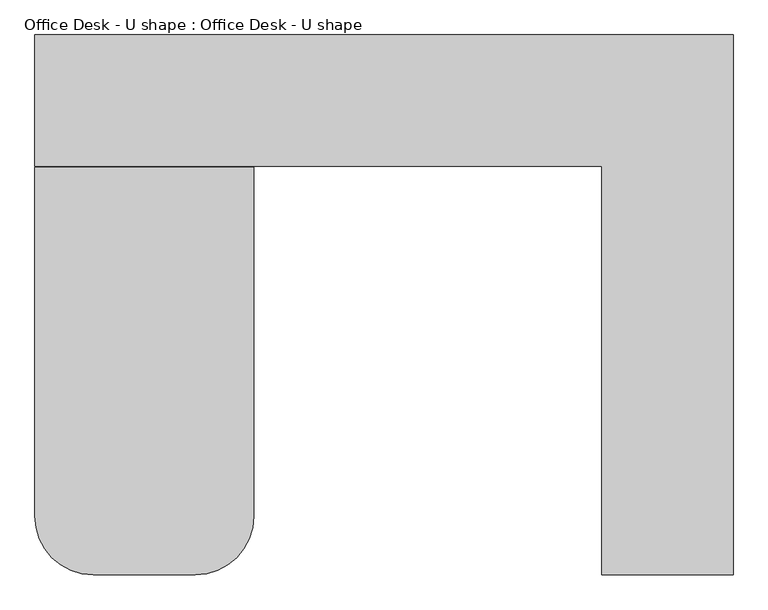
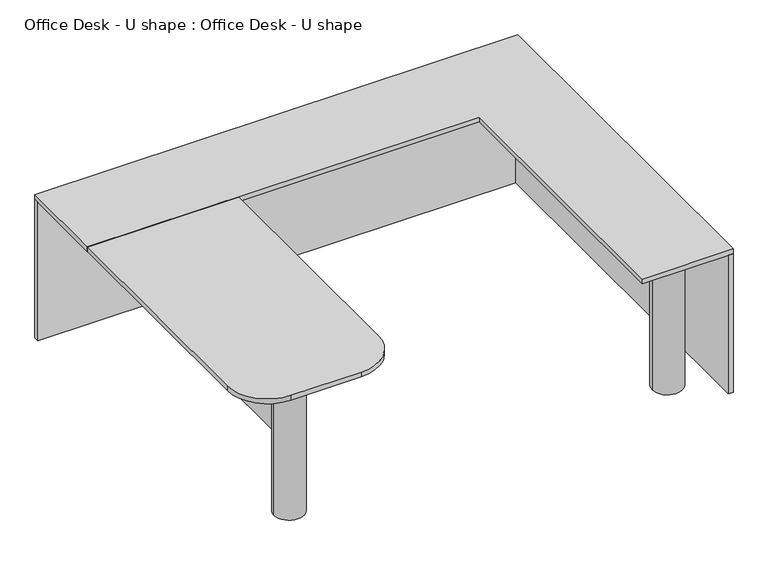
"""IFC4 building model written with IfcOpenShell, lengths in millimetres: furniture geometry, Office Desk - U shape : Office Desk - U shape."""

from ifc_helpers import new_model, si_unit, point, frame, frame_2d, origin, origin_with_axes, place, context, project, spatial, polyline, circle_curve, trimmed, segment, composite_curve, outline, extrude, source, transform, mapped, element, save


def office_desk_u_shape_office_desk_u_shape_89e04f12(model_context):
    return source(origin(), model_context, "Body", "SweptSolid", [
        extrude(outline(composite_curve([segment(trimmed(circle_curve(frame_2d((1078.033239, -1068.2440149)), 76.2), [point((1001.833239, -1068.2440149))], [point((1154.233239, -1068.2440149))], False, "CARTESIAN"), True, "CONTINUOUS"), segment(trimmed(circle_curve(frame_2d((1078.033239, -1068.2440149)), 76.2), [point((1154.233239, -1068.2440149))], [point((1001.833239, -1068.2440149))], False, "CARTESIAN"), True, "CONTINUOUS")], self_intersect=False)), origin_with_axes(), (0.0, 0.0, 1.0), 736.9244184),
        extrude(outline(polyline([(-674.852173, 0.0), (-370.052173, 0.0), (-370.052173, -609.6), (-674.852173, -609.6), (-674.852173, 0.0)])), frame((0.0, 0.0, 695.6494184), z_axis=(0.0, 0.0, 1.0), x_axis=(1.0, 0.0, 0.0)), (0.0, 0.0, 1.0), 38.1),
        extrude(outline(polyline([(-1132.052173, 620.2578213), (1299.3422757, 620.2578213), (1299.3422757, -1259.3421787), (1273.9422757, -1259.3421787), (1273.9422757, 594.8578213), (-1132.052173, 594.8578213), (-1132.052173, 620.2578213)])), origin_with_axes(), (0.0, 0.0, 1.0), 736.9244184),
        extrude(outline(polyline([(-814.266761, -992.0440149), (-839.666761, -992.0440149), (-839.666761, 594.8578213), (-814.266761, 594.8578213), (-814.266761, -992.0440149)])), frame((0.0, 0.0, 355.9495182), z_axis=(0.0, 0.0, 1.0), x_axis=(1.0, 0.0, 0.0)), (0.0, 0.0, 1.0), 380.9749002),
        extrude(outline(composite_curve([segment(trimmed(circle_curve(frame_2d((-826.966761, -1068.2440149)), 76.2), [point((-903.166761, -1068.2440149))], [point((-750.766761, -1068.2440149))], False, "CARTESIAN"), True, "CONTINUOUS"), segment(trimmed(circle_curve(frame_2d((-826.966761, -1068.2440149)), 76.2), [point((-750.766761, -1068.2440149))], [point((-903.166761, -1068.2440149))], False, "CARTESIAN"), True, "CONTINUOUS")], self_intersect=False)), origin_with_axes(), (0.0, 0.0, 1.0), 736.9244184),
        extrude(outline(composite_curve([segment(polyline([(-370.052173, 159.8828213), (-370.052173, -1056.1421787)]), True, "CONTINUOUS"), segment(trimmed(circle_curve(frame_2d((-573.252173, -1056.1421787)), 203.2), [point((-370.052173, -1056.1421787))], [point((-573.252173, -1259.3421787))], False, "CARTESIAN"), True, "CONTINUOUS"), segment(polyline([(-573.252173, -1259.3421787), (-928.852173, -1259.3421787)]), True, "CONTINUOUS"), segment(trimmed(circle_curve(frame_2d((-928.852173, -1056.1421787)), 203.2), [point((-928.852173, -1259.3421787))], [point((-1132.052173, -1056.1421787))], False, "CARTESIAN"), True, "CONTINUOUS"), segment(polyline([(-1132.052173, -1056.1421787), (-1132.052173, 159.8828213), (-370.052173, 159.8828213)]), True, "CONTINUOUS")], self_intersect=False)), frame((0.0, 0.0, 736.9244184), z_axis=(0.0, 0.0, 1.0), x_axis=(1.0, 0.0, 0.0)), (0.0, 0.0, 1.0), 25.0755816),
        extrude(outline(polyline([(1299.3422757, 620.2578213), (1299.3422757, -1259.3421787), (842.1422757, -1259.3421787), (842.1422757, 163.0578213), (-1132.052173, 163.0578213), (-1132.052173, 620.2578213), (1299.3422757, 620.2578213)])), frame((0.0, 0.0, 736.9244184), z_axis=(0.0, 0.0, 1.0), x_axis=(1.0, 0.0, 0.0)), (0.0, 0.0, 1.0), 25.0755816),
    ])


if __name__ == "__main__":
    model = new_model("IFC4")
    model_context = context("Model", 3, world=origin())
    ifc_project = project(units=[si_unit("LENGTHUNIT", "METRE", prefix="MILLI")], contexts=[model_context])
    site = spatial("IfcSite", under=ifc_project)
    building = spatial("IfcBuilding", under=site)
    placement = place(None, origin())
    office_desk_u_shape_office_desk_u_shape_shape = office_desk_u_shape_office_desk_u_shape_89e04f12(model_context)
    element("IfcFurniture", 1, ObjectType="Office Desk - U shape : Office Desk - U shape", at=placement, inside=building, context=model_context, shape_type="MappedRepresentation", body=[
        mapped(office_desk_u_shape_office_desk_u_shape_shape, transform((0.0, 0.0, 0.0), x_axis=(1.0, 0.0, 0.0), y_axis=(0.0, 1.0, 0.0), z_axis=(0.0, 0.0, 1.0))),
    ])
    save(model, "model.ifc")
